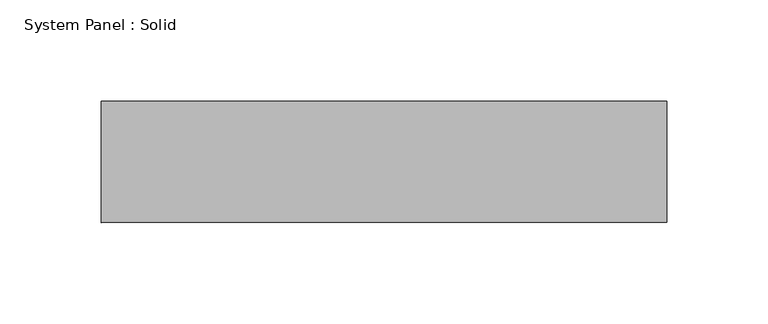
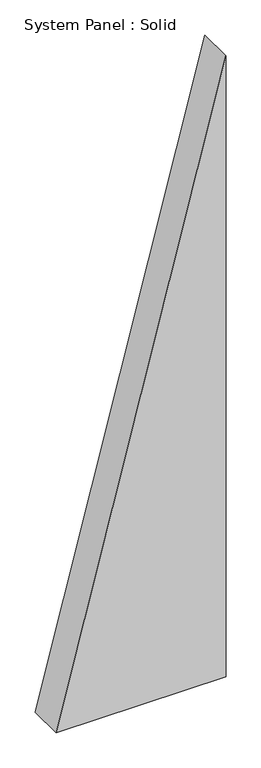
"""IFC4 building model written with IfcOpenShell, lengths in millimetres: plate geometry, System Panel : Solid."""

from ifc_helpers import new_model, si_unit, frame, origin, place, context, project, spatial, polyline, outline, extrude, source, transform, mapped, element, save


def system_panel_solid_41da0c03(model_context):
    return source(origin(), model_context, "Body", "SweptSolid", [
        extrude(outline(polyline([(0.0, -140.0171278), (0.0, 140.0171278), (1081.0282043, 140.0171278), (0.0, -140.0171278)])), frame((0.0, -10.5, 0.0), z_axis=(0.0, 1.0, 0.0), x_axis=(0.0, 0.0, 1.0)), (0.0, 0.0, 1.0), 60.0),
    ])


if __name__ == "__main__":
    model = new_model("IFC4")
    model_context = context("Model", 3, world=origin())
    ifc_project = project(units=[si_unit("LENGTHUNIT", "METRE", prefix="MILLI")], contexts=[model_context])
    site = spatial("IfcSite", under=ifc_project)
    building = spatial("IfcBuilding", under=site)
    placement = place(None, origin())
    system_panel_solid_shape = system_panel_solid_41da0c03(model_context)
    element("IfcPlate", 1, ObjectType="System Panel : Solid", at=placement, inside=building, context=model_context, shape_type="MappedRepresentation", body=[
        mapped(system_panel_solid_shape, transform((0.0, 0.0, 0.0), x_axis=(1.0, 0.0, 0.0), y_axis=(0.0, 1.0, 0.0), z_axis=(0.0, 0.0, 1.0))),
    ])
    save(model, "model.ifc")
